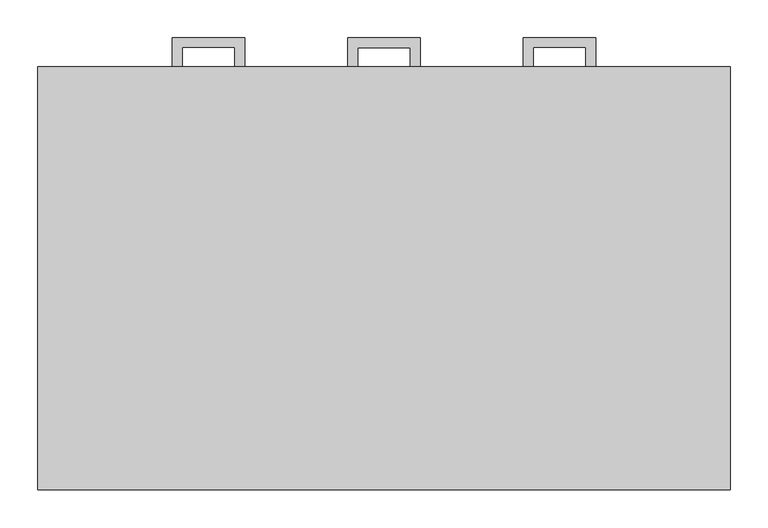
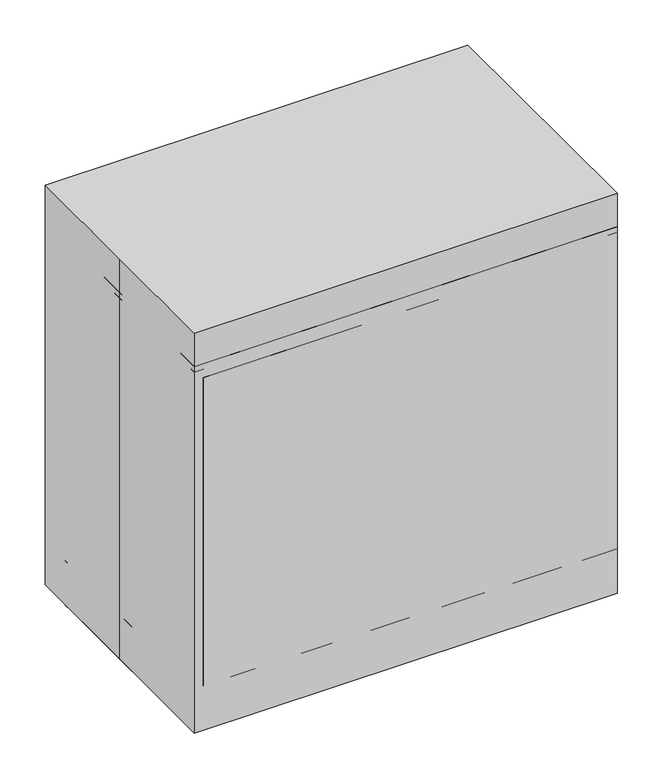
"""IFC4 building model written with IfcOpenShell, lengths in millimetres: proxy geometry."""

from ifc_helpers import new_model, si_unit, frame, origin, origin_with_axes, place, context, project, spatial, polyline, outline, extrude, source, transform, mapped, element, save


def specialty_equipment_e85a4097(model_context):
    return source(origin(), model_context, "Body", "SweptSolid", [
        extrude(outline(polyline([(-47.625, 317.5), (47.625, 317.5), (47.625, 279.4), (34.9409299, 279.4), (34.9409299, 304.8159299), (-34.9409299, 304.8159299), (-34.9409299, 279.4), (-47.625, 279.4), (-47.625, 317.5)])), frame((0.0, 0.0, 188.8962383), z_axis=(0.0, 0.0, 1.0), x_axis=(1.0, 0.0, 0.0)), (0.0, 0.0, 1.0), 12.7),
        extrude(outline(polyline([(-47.625, 317.5), (47.625, 317.5), (47.625, 279.4), (34.9409299, 279.4), (34.9409299, 304.8159299), (-34.9409299, 304.8159299), (-34.9409299, 279.4), (-47.625, 279.4), (-47.625, 317.5)])), frame((0.0, 0.0, 379.3962383), z_axis=(0.0, 0.0, 1.0), x_axis=(1.0, 0.0, 0.0)), (0.0, 0.0, 1.0), 12.7),
        extrude(outline(polyline([(-47.625, 317.5), (47.625, 317.5), (47.625, 279.4), (34.9409299, 279.4), (34.9409299, 304.8159299), (-34.9409299, 304.8159299), (-34.9409299, 279.4), (-47.625, 279.4), (-47.625, 317.5)])), frame((0.0, 0.0, 569.8962383), z_axis=(0.0, 0.0, 1.0), x_axis=(1.0, 0.0, 0.0)), (0.0, 0.0, 1.0), 12.7),
        extrude(outline(polyline([(-279.3840701, 317.5), (-184.1340701, 317.5), (-184.1340701, 279.4), (-196.8181401, 279.4), (-196.8181401, 304.8159299), (-266.7, 304.8159299), (-266.7, 279.4), (-279.3840701, 279.4), (-279.3840701, 317.5)])), frame((0.0, 0.0, 741.3462383), z_axis=(0.0, 0.0, 1.0), x_axis=(1.0, 0.0, 0.0)), (0.0, 0.0, 1.0), 12.7),
        extrude(outline(polyline([(279.3840701, 317.5), (279.3840701, 279.4), (266.7, 279.4), (266.7, 304.8159299), (196.8181401, 304.8159299), (196.8181401, 279.4), (184.1340701, 279.4), (184.1340701, 317.5), (279.3840701, 317.5)])), frame((0.0, 0.0, 741.3462383), z_axis=(0.0, 0.0, 1.0), x_axis=(1.0, 0.0, 0.0)), (0.0, 0.0, 1.0), 12.7),
        extrude(outline(polyline([(-457.2, -279.4), (-457.2, 0.0), (-457.2, 279.4), (457.2, 279.4), (457.2, -279.4), (-457.2, -279.4)])), origin_with_axes(), (0.0, 0.0, 1.0), 914.4),
        extrude(outline(polyline([(457.2, 279.4), (457.2, 260.35), (-457.2, 260.35), (-457.2, 279.4), (457.2, 279.4)])), frame((0.0, 0.0, 101.5674767), z_axis=(0.0, 0.0, 1.0), x_axis=(1.0, 0.0, 0.0)), (0.0, 0.0, 1.0), 190.5),
        extrude(outline(polyline([(457.2, 279.4), (457.2, 260.35), (-457.2, 260.35), (-457.2, 279.4), (457.2, 279.4)])), frame((0.0, 0.0, 292.0674767), z_axis=(0.0, 0.0, 1.0), x_axis=(1.0, 0.0, 0.0)), (0.0, 0.0, 1.0), 190.5),
        extrude(outline(polyline([(457.2, 279.4), (457.2, 260.35), (-457.2, 260.35), (-457.2, 279.4), (457.2, 279.4)])), frame((0.0, 0.0, 482.5674767), z_axis=(0.0, 0.0, 1.0), x_axis=(1.0, 0.0, 0.0)), (0.0, 0.0, 1.0), 190.5),
        extrude(outline(polyline([(457.2, 279.4), (457.2, 260.35), (0.0, 260.35), (0.0, 279.4), (457.2, 279.4)])), frame((0.0, 0.0, 673.0674767), z_axis=(0.0, 0.0, 1.0), x_axis=(1.0, 0.0, 0.0)), (0.0, 0.0, 1.0), 152.4),
        extrude(outline(polyline([(0.0, 279.4), (0.0, 260.35), (-457.2, 260.35), (-457.2, 279.4), (0.0, 279.4)])), frame((0.0, 0.0, 673.0674767), z_axis=(0.0, 0.0, 1.0), x_axis=(1.0, 0.0, 0.0)), (0.0, 0.0, 1.0), 152.4),
        extrude(outline(polyline([(-457.2, 260.35), (-438.15, 260.35), (-438.15, -279.4), (-457.2, -279.4), (-457.2, 260.35)])), frame((0.0, 0.0, 101.6), z_axis=(0.0, 0.0, 1.0), x_axis=(1.0, 0.0, 0.0)), (0.0, 0.0, 1.0), 723.8674767),
        extrude(outline(polyline([(438.15, 260.35), (457.2, 260.35), (457.2, -279.4), (438.15, -279.4), (438.15, 260.35)])), frame((0.0, 0.0, 101.6), z_axis=(0.0, 0.0, 1.0), x_axis=(1.0, 0.0, 0.0)), (0.0, 0.0, 1.0), 723.8674767),
        extrude(outline(polyline([(457.2, -279.4), (-457.2, -279.4), (-457.2, 260.35), (457.2, 260.35), (457.2, -279.4)])), frame((0.0, 0.0, 825.4674767), z_axis=(0.0, 0.0, 1.0), x_axis=(1.0, 0.0, 0.0)), (0.0, 0.0, 1.0), 12.7325233),
        extrude(outline(polyline([(457.2, 203.2), (457.2, 184.15), (-457.2, 184.15), (-457.2, 203.2), (457.2, 203.2)])), origin_with_axes(), (0.0, 0.0, 1.0), 101.6),
        extrude(outline(polyline([(-457.2, 184.15), (-438.15, 184.15), (-438.15, -279.4), (-457.2, -279.4), (-457.2, 184.15)])), origin_with_axes(), (0.0, 0.0, 1.0), 101.6),
        extrude(outline(polyline([(438.15, 184.15), (457.2, 184.15), (457.2, -279.4), (438.15, -279.4), (438.15, 184.15)])), origin_with_axes(), (0.0, 0.0, 1.0), 101.6),
        extrude(outline(polyline([(457.2, -260.35), (457.2, -279.4), (-457.2, -279.4), (-457.2, -260.35), (457.2, -260.35)])), origin_with_axes(), (0.0, 0.0, 1.0), 101.6),
        extrude(outline(polyline([(438.15, -260.35), (-438.15, -260.35), (-438.15, 260.35), (438.15, 260.35), (438.15, -260.35)])), frame((0.0, 0.0, 101.6), z_axis=(0.0, 0.0, 1.0), x_axis=(1.0, 0.0, 0.0)), (0.0, 0.0, 1.0), 19.1166954),
        extrude(outline(polyline([(438.15, -260.35), (438.15, -279.4), (-438.15, -279.4), (-438.15, -260.35), (438.15, -260.35)])), frame((0.0, 0.0, 101.6), z_axis=(0.0, 0.0, 1.0), x_axis=(1.0, 0.0, 0.0)), (0.0, 0.0, 1.0), 704.8174767),
    ])


if __name__ == "__main__":
    model = new_model("IFC4")
    model_context = context("Model", 3, world=origin())
    ifc_project = project(units=[si_unit("LENGTHUNIT", "METRE", prefix="MILLI")], contexts=[model_context])
    site = spatial("IfcSite", under=ifc_project)
    building = spatial("IfcBuilding", under=site)
    placement = place(None, origin())
    specialty_equipment_shape = specialty_equipment_e85a4097(model_context)
    element("IfcBuildingElementProxy", 1, Name="Specialty Equipment", at=placement, inside=building, context=model_context, shape_type="MappedRepresentation", body=[
        mapped(specialty_equipment_shape, transform((0.0, 0.0, 0.0), x_axis=(1.0, 0.0, 0.0), y_axis=(0.0, 1.0, 0.0), z_axis=(0.0, 0.0, 1.0))),
    ])
    save(model, "model.ifc")
